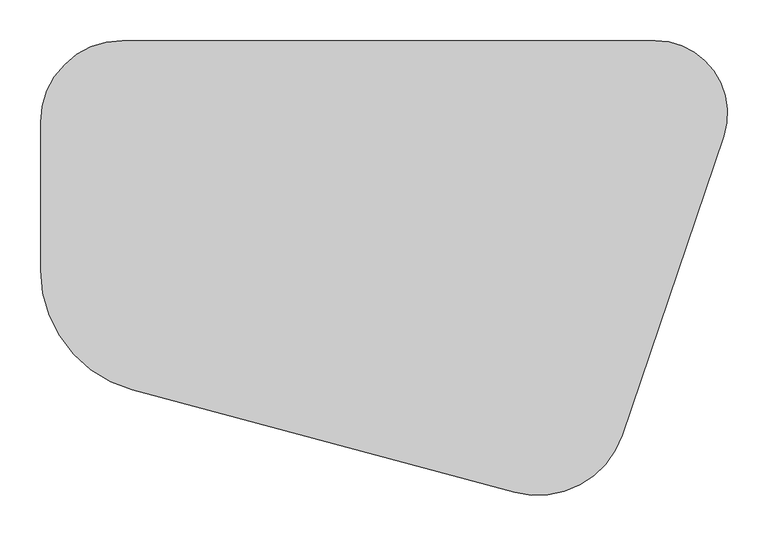
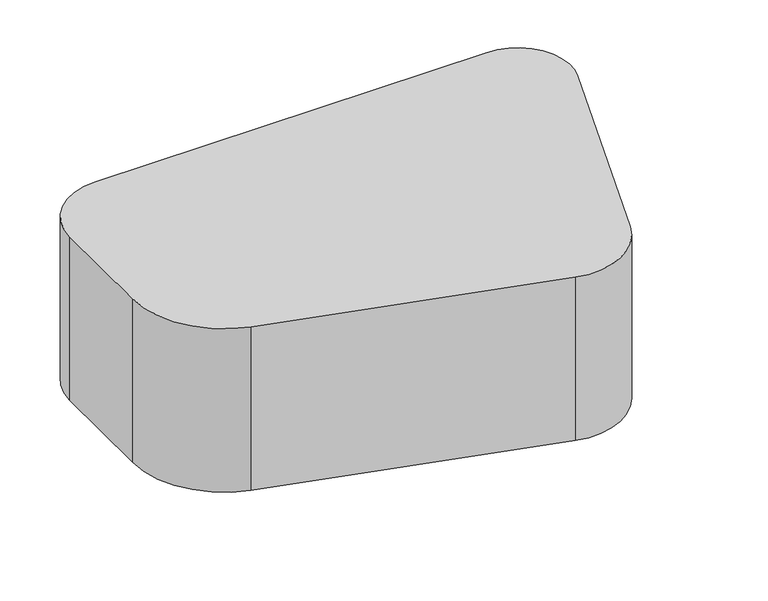
"""IFC4 building model written with IfcOpenShell, lengths in millimetres: furniture geometry."""

from ifc_helpers import new_model, si_unit, point, frame, frame_2d, origin, origin_with_axes, place, context, project, spatial, polyline, circle_curve, trimmed, segment, composite_curve, outline, extrude, source, transform, mapped, element, save


def furniture_fa995e03(model_context):
    return source(origin(), model_context, "Body", "SweptSolid", [
        extrude(outline(composite_curve([segment(trimmed(circle_curve(frame_2d((-345.9914191, -66.7873402)), 12.7), [point((-358.6914191, -66.7873402))], [point((-333.2914191, -66.7873402))], False, "CARTESIAN"), True, "CONTINUOUS"), segment(trimmed(circle_curve(frame_2d((-345.9914191, -66.7873402)), 12.7), [point((-333.2914191, -66.7873402))], [point((-358.6914191, -66.7873402))], False, "CARTESIAN"), True, "CONTINUOUS")], self_intersect=False)), origin_with_axes(), (0.0, 0.0, 1.0), 15.875),
        extrude(outline(composite_curve([segment(trimmed(circle_curve(frame_2d((-345.9914191, 187.2126598)), 12.7), [point((-358.6914191, 187.2126598))], [point((-333.2914191, 187.2126598))], False, "CARTESIAN"), True, "CONTINUOUS"), segment(trimmed(circle_curve(frame_2d((-345.9914191, 187.2126598)), 12.7), [point((-333.2914191, 187.2126598))], [point((-358.6914191, 187.2126598))], False, "CARTESIAN"), True, "CONTINUOUS")], self_intersect=False)), origin_with_axes(), (0.0, 0.0, 1.0), 15.875),
        extrude(outline(composite_curve([segment(trimmed(circle_curve(frame_2d((333.4585809, 187.2126598)), 12.7), [point((320.7585809, 187.2126598))], [point((346.1585809, 187.2126598))], False, "CARTESIAN"), True, "CONTINUOUS"), segment(trimmed(circle_curve(frame_2d((333.4585809, 187.2126598)), 12.7), [point((346.1585809, 187.2126598))], [point((320.7585809, 187.2126598))], False, "CARTESIAN"), True, "CONTINUOUS")], self_intersect=False)), origin_with_axes(), (0.0, 0.0, 1.0), 15.875),
        extrude(outline(composite_curve([segment(trimmed(circle_curve(frame_2d((198.5779224, -216.225433)), 12.7), [point((185.8779224, -216.225433))], [point((211.2779224, -216.225433))], False, "CARTESIAN"), True, "CONTINUOUS"), segment(trimmed(circle_curve(frame_2d((198.5779224, -216.225433)), 12.7), [point((211.2779224, -216.225433))], [point((185.8779224, -216.225433))], False, "CARTESIAN"), True, "CONTINUOUS")], self_intersect=False)), origin_with_axes(), (0.0, 0.0, 1.0), 15.875),
        extrude(outline(composite_curve([segment(polyline([(-325.4375, 275.3700592), (329.840054, 275.3700592)]), True, "CONTINUOUS"), segment(trimmed(circle_curve(frame_2d((329.840054, 186.4700592)), 88.9), [point((329.840054, 275.3700592))], [point((414.0153919, 157.8742118))], False, "CARTESIAN"), True, "CONTINUOUS"), segment(polyline([(414.0153919, 157.8742118), (289.2404513, -209.4159273)]), True, "CONTINUOUS"), segment(trimmed(circle_curve(frame_2d((185.52441, -174.1817581)), 109.5375), [point((289.2404513, -209.4159273))], [point((157.0898356, -279.9642656))], False, "CARTESIAN"), True, "CONTINUOUS"), segment(polyline([(157.0898356, -279.9642656), (-312.611147, -153.7075918)]), True, "CONTINUOUS"), segment(trimmed(circle_curve(frame_2d((-273.05, -6.5319292)), 152.4), [point((-312.611147, -153.7075918))], [point((-425.45, -6.5319292))], False, "CARTESIAN"), True, "CONTINUOUS"), segment(polyline([(-425.45, -6.5319292), (-425.45, 175.3575592)]), True, "CONTINUOUS"), segment(trimmed(circle_curve(frame_2d((-325.4375, 175.3575592)), 100.0125), [point((-425.45, 175.3575592))], [point((-325.4375, 275.3700592))], False, "CARTESIAN"), True, "CONTINUOUS")], self_intersect=False)), frame((0.0, 0.0, 15.875), z_axis=(0.0, 0.0, 1.0), x_axis=(1.0, 0.0, 0.0)), (0.0, 0.0, 1.0), 288.925),
    ])


if __name__ == "__main__":
    model = new_model("IFC4")
    model_context = context("Model", 3, world=origin())
    ifc_project = project(units=[si_unit("LENGTHUNIT", "METRE", prefix="MILLI")], contexts=[model_context])
    site = spatial("IfcSite", under=ifc_project)
    building = spatial("IfcBuilding", under=site)
    placement = place(None, origin())
    furniture_shape = furniture_fa995e03(model_context)
    element("IfcFurniture", 1, at=placement, inside=building, context=model_context, shape_type="MappedRepresentation", body=[
        mapped(furniture_shape, transform((0.0, 0.0, 0.0), x_axis=(1.0, 0.0, 0.0), y_axis=(0.0, 1.0, 0.0), z_axis=(0.0, 0.0, 1.0))),
    ])
    save(model, "model.ifc")
